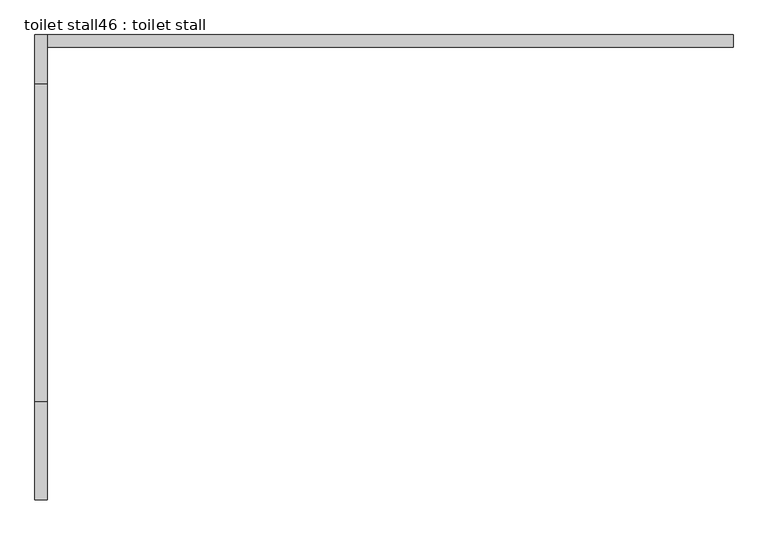
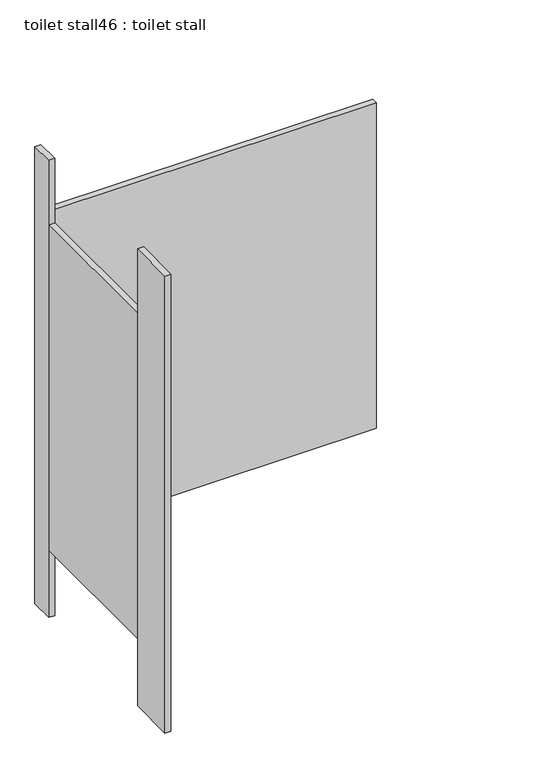
"""IFC4 building model written with IfcOpenShell, lengths in millimetres: proxy geometry, toilet stall46 : toilet stall."""

from ifc_helpers import new_model, si_unit, frame, origin, origin_with_axes, place, context, project, spatial, polyline, outline, extrude, source, transform, mapped, element, save


def toilet_stall46_toilet_stall_36db06a2(model_context):
    return source(origin(), model_context, "Body", "SweptSolid", [
        extrude(outline(polyline([(457706.2004676, -333067.8330223), (457706.2004676, -333271.0330223), (457680.8004676, -333271.0330223), (457680.8004676, -333067.8330223), (457706.2004676, -333067.8330223)])), origin_with_axes(), (0.0, 0.0, 1.0), 2070.1),
        extrude(outline(polyline([(457706.2004676, -332305.8330223), (457706.2004676, -332407.4330223), (457680.8004676, -332407.4330223), (457680.8004676, -332305.8330223), (457706.2004676, -332305.8330223)])), origin_with_axes(), (0.0, 0.0, 1.0), 2070.1),
        extrude(outline(polyline([(457706.2004676, -332305.8330223), (459128.6004676, -332305.8330223), (459128.6004676, -332331.2330223), (457706.2004676, -332331.2330223), (457706.2004676, -332305.8330223)])), frame((0.0, 0.0, 304.8), z_axis=(0.0, 0.0, 1.0), x_axis=(1.0, 0.0, 0.0)), (0.0, 0.0, 1.0), 1473.2),
        extrude(outline(polyline([(457706.2004676, -332407.4330223), (457706.2004676, -333067.8330223), (457680.8004676, -333067.8330223), (457680.8004676, -332407.4330223), (457706.2004676, -332407.4330223)])), frame((0.0, 0.0, 304.8), z_axis=(0.0, 0.0, 1.0), x_axis=(1.0, 0.0, 0.0)), (0.0, 0.0, 1.0), 1473.2),
    ])


if __name__ == "__main__":
    model = new_model("IFC4")
    model_context = context("Model", 3, world=origin())
    ifc_project = project(units=[si_unit("LENGTHUNIT", "METRE", prefix="MILLI")], contexts=[model_context])
    site = spatial("IfcSite", under=ifc_project)
    building = spatial("IfcBuilding", under=site)
    placement = place(None, origin())
    toilet_stall46_toilet_stall_shape = toilet_stall46_toilet_stall_36db06a2(model_context)
    element("IfcBuildingElementProxy", 1, Name="toilet stall46 : toilet stall", ObjectType="toilet stall46 : toilet stall", at=placement, inside=building, context=model_context, shape_type="MappedRepresentation", body=[
        mapped(toilet_stall46_toilet_stall_shape, transform((0.0, 0.0, 0.0), x_axis=(1.0, 0.0, 0.0), y_axis=(0.0, 1.0, 0.0), z_axis=(0.0, 0.0, 1.0))),
    ])
    save(model, "model.ifc")
